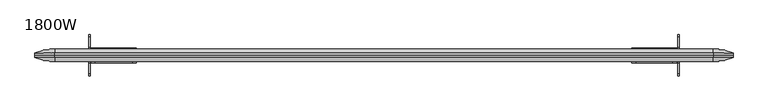
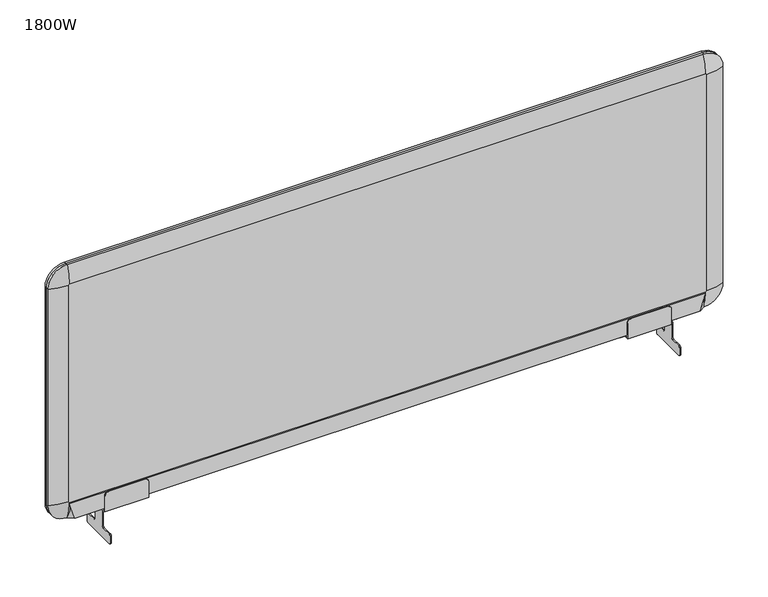
"""IFC4 building model written with IfcOpenShell, lengths in millimetres: furniture geometry, 1800W."""

from ifc_helpers import new_model, si_unit, point, frame, origin, place, context, project, spatial, polyline, circle_curve, ellipse_curve, trimmed, faceted_brep, source, transform, mapped, element, save
from ifc_brep_helpers import plane_surface, cylinder_surface, revolved_surface, advanced_brep


def furniture_1800w_5982a140(model_context):
    return source(origin(), model_context, "Body", "SolidModel", [
        advanced_brep(
        [(887.5, -6.0, 1169.0), (887.5, -6.0, 567.0), (887.5, 0.0, 567.0), (887.5, 0.0, 1169.0), (836.5, -6.0, 516.0), (-836.5, -6.0, 516.0), (-836.5, 0.0, 516.0), (836.5, 0.0, 516.0), (-887.5, -6.0, 567.0), (-887.5, -6.0, 1169.0), (-887.5, 0.0, 1169.0), (-887.5, 0.0, 567.0), (-836.5, -6.0, 1220.0), (836.5, -6.0, 1220.0), (836.5, 0.0, 1220.0), (-836.5, 0.0, 1220.0), (836.5, -16.0, 1172.0416848), (839.5416848, -16.0, 1169.0), (839.5416848, -16.0, 567.0), (836.5, -16.0, 563.9583152), (-836.5, -16.0, 563.9583152), (-839.5416848, -16.0, 567.0), (-839.5416848, -16.0, 1169.0), (-836.5, -16.0, 1172.0416848)],
        [
            (0, 1),
            (1, 2),
            (2, 3),
            (3, 0),
            (4, 5),
            (5, 6),
            (6, 7),
            (7, 4),
            (8, 9),
            (9, 10),
            (10, 11),
            (11, 8),
            (12, 13),
            (13, 14),
            (14, 15),
            (15, 12),
            (3, 14, circle_curve(frame((836.5, 0.0, 1169.0), z_axis=(0.0, -1.0, 0.0), x_axis=(0.0, 0.0, 1.0)), 51.0)),
            (13, 0, circle_curve(frame((836.5, -6.0, 1169.0), z_axis=(0.0, 1.0, 0.0), x_axis=(0.0, 0.0, 1.0)), 51.0)),
            (1, 4, circle_curve(frame((836.5, -6.0, 567.0), z_axis=(0.0, 1.0, 0.0), x_axis=(1.0, 0.0, 0.0)), 51.0)),
            (7, 2, circle_curve(frame((836.5, 0.0, 567.0), z_axis=(0.0, -1.0, 0.0), x_axis=(1.0, 0.0, 0.0)), 51.0)),
            (5, 8, circle_curve(frame((-836.5, -6.0, 567.0), z_axis=(0.0, 1.0, 0.0), x_axis=(0.0, 0.0, -1.0)), 51.0)),
            (11, 6, circle_curve(frame((-836.5, 0.0, 567.0), z_axis=(0.0, -1.0, 0.0), x_axis=(0.0, 0.0, -1.0)), 51.0)),
            (9, 12, circle_curve(frame((-836.5, -6.0, 1169.0), z_axis=(0.0, 1.0, 0.0), x_axis=(-1.0, 0.0, 0.0)), 51.0)),
            (15, 10, circle_curve(frame((-836.5, 0.0, 1169.0), z_axis=(0.0, -1.0, 0.0), x_axis=(-1.0, 0.0, 0.0)), 51.0)),
            (13, 16, circle_curve(frame((836.5, 104.0, 1172.0416848), z_axis=(1.0, 0.0, 0.0), x_axis=(0.0, 0.0, -1.0)), 120.0)),
            (16, 17, circle_curve(frame((836.5, -16.0, 1169.0), z_axis=(0.0, 1.0, 0.0), x_axis=(0.0, 0.0, 1.0)), 3.0416848)),
            (17, 0, circle_curve(frame((839.5416848, 104.0, 1169.0), z_axis=(0.0, 0.0, 1.0), x_axis=(-1.0, 0.0, 0.0)), 120.0)),
            (17, 18),
            (18, 1, circle_curve(frame((839.5416848, 104.0, 567.0), z_axis=(0.0, 0.0, 1.0), x_axis=(-1.0, 0.0, 0.0)), 120.0)),
            (18, 19, circle_curve(frame((836.5, -16.0, 567.0), z_axis=(0.0, 1.0, 0.0), x_axis=(1.0, 0.0, 0.0)), 3.0416848)),
            (19, 4, circle_curve(frame((836.5, 104.0, 563.9583152), z_axis=(1.0, 0.0, 0.0), x_axis=(0.0, 0.0, 1.0)), 120.0)),
            (19, 20),
            (20, 5, circle_curve(frame((-836.5, 104.0, 563.9583152), z_axis=(1.0, 0.0, 0.0), x_axis=(0.0, 0.0, 1.0)), 120.0)),
            (20, 21, circle_curve(frame((-836.5, -16.0, 567.0), z_axis=(0.0, 1.0, 0.0), x_axis=(0.0, 0.0, -1.0)), 3.0416848)),
            (21, 8, circle_curve(frame((-839.5416848, 104.0, 567.0), z_axis=(0.0, 0.0, -1.0), x_axis=(1.0, 0.0, 0.0)), 120.0)),
            (21, 22),
            (22, 9, circle_curve(frame((-839.5416848, 104.0, 1169.0), z_axis=(0.0, 0.0, -1.0), x_axis=(1.0, 0.0, 0.0)), 120.0)),
            (22, 23, circle_curve(frame((-836.5, -16.0, 1169.0), z_axis=(0.0, 1.0, 0.0), x_axis=(-1.0, 0.0, 0.0)), 3.0416848)),
            (23, 12, circle_curve(frame((-836.5, 104.0, 1172.0416848), z_axis=(-1.0, 0.0, 0.0), x_axis=(0.0, 0.0, -1.0)), 120.0)),
            (23, 16),
        ],
        [
            plane_surface(frame((887.5, 0.0, 1169.0), z_axis=(1.0, 0.0, 0.0), x_axis=(0.0, 0.0, -1.0))),
            plane_surface(frame((836.5, 0.0, 516.0), z_axis=(0.0, 0.0, -1.0), x_axis=(-1.0, 0.0, 0.0))),
            plane_surface(frame((-887.5, 0.0, 567.0), z_axis=(-1.0, 0.0, 0.0), x_axis=(0.0, 0.0, 1.0))),
            plane_surface(frame((-836.5, 0.0, 1220.0), z_axis=(0.0, 0.0, 1.0), x_axis=(1.0, 0.0, 0.0))),
            cylinder_surface(frame((836.5, 0.0, 1169.0), z_axis=(0.0, -1.0, 0.0), x_axis=(0.0, 0.0, 1.0)), 51.0),
            cylinder_surface(frame((836.5, 0.0, 567.0), z_axis=(0.0, -1.0, 0.0), x_axis=(1.0, 0.0, 0.0)), 51.0),
            cylinder_surface(frame((-836.5, 0.0, 567.0), z_axis=(0.0, -1.0, 0.0), x_axis=(0.0, 0.0, -1.0)), 51.0),
            cylinder_surface(frame((-836.5, 0.0, 1169.0), z_axis=(0.0, -1.0, 0.0), x_axis=(-1.0, 0.0, 0.0)), 51.0),
            plane_surface(frame((-836.5, 0.0, 1170.0), z_axis=(0.0, 1.0, 0.0), x_axis=(1.0, 0.0, 0.0))),
            revolved_surface(trimmed(ellipse_curve(frame((836.5, 104.0, 1172.0416848), z_axis=(1.0, 0.0, 0.0), x_axis=(0.0, 0.0, -1.0)), 120.0, 120.0), [point((836.5, -6.0, 1220.0))], [point((836.5, -16.0, 1172.0416848))], True, "CARTESIAN"), (836.5, 0.0, 1169.0), (0.0, -1.0, 0.0)),
            cylinder_surface(frame((839.5416848, 104.0, 1169.0), z_axis=(0.0, 0.0, 1.0), x_axis=(-1.0, 0.0, 0.0)), 120.0),
            revolved_surface(trimmed(ellipse_curve(frame((839.5416848, 104.0, 567.0), z_axis=(0.0, 0.0, -1.0), x_axis=(-1.0, 0.0, 0.0)), 120.0, 120.0), [point((887.5, -6.0, 567.0))], [point((839.5416848, -16.0, 567.0))], True, "CARTESIAN"), (836.5, 0.0, 567.0), (0.0, -1.0, 0.0)),
            cylinder_surface(frame((836.5, 104.0, 563.9583152), z_axis=(1.0, 0.0, 0.0), x_axis=(0.0, 0.0, 1.0)), 120.0),
            revolved_surface(trimmed(ellipse_curve(frame((-836.5, 104.0, 563.9583152), z_axis=(-1.0, 0.0, 0.0), x_axis=(0.0, 0.0, 1.0)), 120.0, 120.0), [point((-836.5, -6.0, 516.0))], [point((-836.5, -16.0, 563.9583152))], True, "CARTESIAN"), (-836.5, 0.0, 567.0), (0.0, -1.0, 0.0)),
            cylinder_surface(frame((-839.5416848, 104.0, 567.0), z_axis=(0.0, 0.0, -1.0), x_axis=(1.0, 0.0, 0.0)), 120.0),
            revolved_surface(trimmed(ellipse_curve(frame((-839.5416848, 104.0, 1169.0), z_axis=(0.0, 0.0, 1.0), x_axis=(1.0, 0.0, 0.0)), 120.0, 120.0), [point((-887.5, -6.0, 1169.0))], [point((-839.5416848, -16.0, 1169.0))], True, "CARTESIAN"), (-836.5, 0.0, 1169.0), (0.0, -1.0, 0.0)),
            cylinder_surface(frame((-836.5, 104.0, 1172.0416848), z_axis=(-1.0, 0.0, 0.0), x_axis=(0.0, 0.0, -1.0)), 120.0),
            plane_surface(frame((-836.5, -16.0, 1172.0416848), z_axis=(0.0, -1.0, 0.0), x_axis=(1.0, 0.0, 0.0))),
        ],
        [
            (0, [[1, 2, 3, 4]]),
            (1, [[5, 6, 7, 8]]),
            (2, [[9, 10, 11, 12]]),
            (3, [[13, 14, 15, 16]]),
            (4, [[17, -14, 18, -4]]),
            (5, [[19, -8, 20, -2]]),
            (6, [[21, -12, 22, -6]]),
            (7, [[23, -16, 24, -10]]),
            (8, [[-20, -7, -22, -11, -24, -15, -17, -3]]),
            (9, [[25, 26, 27, -18]]),
            (10, [[-27, 28, 29, -1]]),
            (11, [[-29, 30, 31, -19]]),
            (12, [[-31, 32, 33, -5]]),
            (13, [[-33, 34, 35, -21]]),
            (14, [[-35, 36, 37, -9]]),
            (15, [[-37, 38, 39, -23]]),
            (16, [[-39, 40, -25, -13]]),
            (17, [[-40, -38, -36, -34, -32, -30, -28, -26]]),
        ],
    ),
        advanced_brep(
        [(836.5, 16.0, 1172.0416848), (839.5416848, 16.0, 1169.0), (839.5416848, 16.0, 567.0), (836.5, 16.0, 563.9583152), (-836.5, 16.0, 563.9583152), (-839.5416848, 16.0, 567.0), (-839.5416848, 16.0, 1169.0), (-836.5, 16.0, 1172.0416848), (887.5, 0.0, 1169.0), (836.5, 0.0, 1220.0), (-836.5, 0.0, 1220.0), (-887.5, 0.0, 1169.0), (-887.5, 0.0, 567.0), (-836.5, 0.0, 516.0), (836.5, 0.0, 516.0), (887.5, 0.0, 567.0), (887.5, 6.0, 567.0), (887.5, 6.0, 1169.0), (-836.5, 6.0, 516.0), (836.5, 6.0, 516.0), (-887.5, 6.0, 1169.0), (-887.5, 6.0, 567.0), (836.5, 6.0, 1220.0), (-836.5, 6.0, 1220.0)],
        [
            (0, 1, circle_curve(frame((836.5, 16.0, 1169.0), z_axis=(0.0, 1.0, 0.0), x_axis=(0.0, 0.0, 1.0)), 3.0416848)),
            (1, 2),
            (2, 3, circle_curve(frame((836.5, 16.0, 567.0), z_axis=(0.0, 1.0, 0.0), x_axis=(1.0, 0.0, 0.0)), 3.0416848)),
            (3, 4),
            (4, 5, circle_curve(frame((-836.5, 16.0, 567.0), z_axis=(0.0, 1.0, 0.0), x_axis=(0.0, 0.0, -1.0)), 3.0416848)),
            (5, 6),
            (6, 7, circle_curve(frame((-836.5, 16.0, 1169.0), z_axis=(0.0, 1.0, 0.0), x_axis=(-1.0, 0.0, 0.0)), 3.0416848)),
            (7, 0),
            (8, 9, circle_curve(frame((836.5, 0.0, 1169.0), z_axis=(0.0, -1.0, 0.0), x_axis=(0.0, 0.0, 1.0)), 51.0)),
            (9, 10),
            (10, 11, circle_curve(frame((-836.5, 0.0, 1169.0), z_axis=(0.0, -1.0, 0.0), x_axis=(-1.0, 0.0, 0.0)), 51.0)),
            (11, 12),
            (12, 13, circle_curve(frame((-836.5, 0.0, 567.0), z_axis=(0.0, -1.0, 0.0), x_axis=(0.0, 0.0, -1.0)), 51.0)),
            (13, 14),
            (14, 15, circle_curve(frame((836.5, 0.0, 567.0), z_axis=(0.0, -1.0, 0.0), x_axis=(1.0, 0.0, 0.0)), 51.0)),
            (15, 8),
            (15, 16),
            (16, 17),
            (17, 8),
            (13, 18),
            (18, 19),
            (19, 14),
            (11, 20),
            (20, 21),
            (21, 12),
            (9, 22),
            (22, 23),
            (23, 10),
            (17, 22, circle_curve(frame((836.5, 6.0, 1169.0), z_axis=(0.0, -1.0, 0.0), x_axis=(0.0, 0.0, 1.0)), 51.0)),
            (19, 16, circle_curve(frame((836.5, 6.0, 567.0), z_axis=(0.0, -1.0, 0.0), x_axis=(1.0, 0.0, 0.0)), 51.0)),
            (21, 18, circle_curve(frame((-836.5, 6.0, 567.0), z_axis=(0.0, -1.0, 0.0), x_axis=(0.0, 0.0, -1.0)), 51.0)),
            (23, 20, circle_curve(frame((-836.5, 6.0, 1169.0), z_axis=(0.0, -1.0, 0.0), x_axis=(-1.0, 0.0, 0.0)), 51.0)),
            (17, 1, circle_curve(frame((839.5416848, -104.0, 1169.0), z_axis=(0.0, 0.0, 1.0), x_axis=(1.0, 0.0, 0.0)), 120.0)),
            (0, 22, circle_curve(frame((836.5, -104.0, 1172.0416848), z_axis=(1.0, 0.0, 0.0), x_axis=(0.0, 0.0, 1.0)), 120.0)),
            (16, 2, circle_curve(frame((839.5416848, -104.0, 567.0), z_axis=(0.0, 0.0, 1.0), x_axis=(1.0, 0.0, 0.0)), 120.0)),
            (19, 3, circle_curve(frame((836.5, -104.0, 563.9583152), z_axis=(1.0, 0.0, 0.0), x_axis=(0.0, 0.0, -1.0)), 120.0)),
            (18, 4, circle_curve(frame((-836.5, -104.0, 563.9583152), z_axis=(1.0, 0.0, 0.0), x_axis=(0.0, 0.0, -1.0)), 120.0)),
            (21, 5, circle_curve(frame((-839.5416848, -104.0, 567.0), z_axis=(0.0, 0.0, -1.0), x_axis=(-1.0, 0.0, 0.0)), 120.0)),
            (20, 6, circle_curve(frame((-839.5416848, -104.0, 1169.0), z_axis=(0.0, 0.0, -1.0), x_axis=(-1.0, 0.0, 0.0)), 120.0)),
            (23, 7, circle_curve(frame((-836.5, -104.0, 1172.0416848), z_axis=(-1.0, 0.0, 0.0), x_axis=(0.0, 0.0, 1.0)), 120.0)),
        ],
        [
            plane_surface(frame((-835.5, 16.0, 1169.0), z_axis=(0.0, 1.0, 0.0), x_axis=(0.0, 0.0, 1.0))),
            plane_surface(frame((-835.5, 0.0, 1169.0), z_axis=(0.0, -1.0, 0.0), x_axis=(0.0, 0.0, -1.0))),
            plane_surface(frame((887.5, 6.0, 1169.0), z_axis=(1.0, 0.0, 0.0), x_axis=(0.0, 0.0, -1.0))),
            plane_surface(frame((836.5, 6.0, 516.0), z_axis=(0.0, 0.0, -1.0), x_axis=(-1.0, 0.0, 0.0))),
            plane_surface(frame((-887.5, 6.0, 567.0), z_axis=(-1.0, 0.0, 0.0), x_axis=(0.0, 0.0, 1.0))),
            plane_surface(frame((-836.5, 6.0, 1220.0), z_axis=(0.0, 0.0, 1.0), x_axis=(1.0, 0.0, 0.0))),
            cylinder_surface(frame((836.5, 0.0, 1169.0), z_axis=(0.0, -1.0, 0.0), x_axis=(0.0, 0.0, 1.0)), 51.0),
            cylinder_surface(frame((836.5, 0.0, 567.0), z_axis=(0.0, -1.0, 0.0), x_axis=(1.0, 0.0, 0.0)), 51.0),
            cylinder_surface(frame((-836.5, 0.0, 567.0), z_axis=(0.0, -1.0, 0.0), x_axis=(0.0, 0.0, -1.0)), 51.0),
            cylinder_surface(frame((-836.5, 0.0, 1169.0), z_axis=(0.0, -1.0, 0.0), x_axis=(-1.0, 0.0, 0.0)), 51.0),
            revolved_surface(trimmed(ellipse_curve(frame((836.5, -104.0, 1172.0416848), z_axis=(1.0, 0.0, 0.0), x_axis=(0.0, 0.0, 1.0)), 120.0, 120.0), [point((836.5, 16.0, 1172.0416848))], [point((836.5, 6.0, 1220.0))], True, "CARTESIAN"), (836.5, 0.0, 1169.0), (0.0, -1.0, 0.0)),
            cylinder_surface(frame((839.5416848, -104.0, 1169.0), z_axis=(0.0, 0.0, 1.0), x_axis=(1.0, 0.0, 0.0)), 120.0),
            revolved_surface(trimmed(ellipse_curve(frame((839.5416848, -104.0, 567.0), z_axis=(0.0, 0.0, -1.0), x_axis=(1.0, 0.0, 0.0)), 120.0, 120.0), [point((839.5416848, 16.0, 567.0))], [point((887.5, 6.0, 567.0))], True, "CARTESIAN"), (836.5, 0.0, 567.0), (0.0, -1.0, 0.0)),
            cylinder_surface(frame((836.5, -104.0, 563.9583152), z_axis=(1.0, 0.0, 0.0), x_axis=(0.0, 0.0, -1.0)), 120.0),
            revolved_surface(trimmed(ellipse_curve(frame((-836.5, -104.0, 563.9583152), z_axis=(-1.0, 0.0, 0.0), x_axis=(0.0, 0.0, -1.0)), 120.0, 120.0), [point((-836.5, 16.0, 563.9583152))], [point((-836.5, 6.0, 516.0))], True, "CARTESIAN"), (-836.5, 0.0, 567.0), (0.0, -1.0, 0.0)),
            cylinder_surface(frame((-839.5416848, -104.0, 567.0), z_axis=(0.0, 0.0, -1.0), x_axis=(-1.0, 0.0, 0.0)), 120.0),
            revolved_surface(trimmed(ellipse_curve(frame((-839.5416848, -104.0, 1169.0), z_axis=(0.0, 0.0, 1.0), x_axis=(-1.0, 0.0, 0.0)), 120.0, 120.0), [point((-839.5416848, 16.0, 1169.0))], [point((-887.5, 6.0, 1169.0))], True, "CARTESIAN"), (-836.5, 0.0, 1169.0), (0.0, -1.0, 0.0)),
            cylinder_surface(frame((-836.5, -104.0, 1172.0416848), z_axis=(-1.0, 0.0, 0.0), x_axis=(0.0, 0.0, 1.0)), 120.0),
        ],
        [
            (0, [[1, 2, 3, 4, 5, 6, 7, 8]]),
            (1, [[9, 10, 11, 12, 13, 14, 15, 16]]),
            (2, [[-16, 17, 18, 19]]),
            (3, [[-14, 20, 21, 22]]),
            (4, [[-12, 23, 24, 25]]),
            (5, [[-10, 26, 27, 28]]),
            (6, [[29, -26, -9, -19]]),
            (7, [[-15, -22, 30, -17]]),
            (8, [[-13, -25, 31, -20]]),
            (9, [[-11, -28, 32, -23]]),
            (10, [[33, -1, 34, -29]]),
            (11, [[35, -2, -33, -18]]),
            (12, [[36, -3, -35, -30]]),
            (13, [[37, -4, -36, -21]]),
            (14, [[38, -5, -37, -31]]),
            (15, [[39, -6, -38, -24]]),
            (16, [[40, -7, -39, -32]]),
            (17, [[-34, -8, -40, -27]]),
        ],
    ),
        faceted_brep([(837.5, -16.0, 566.0), (837.5, 16.0, 566.0), (-837.5, 16.0, 566.0), (-837.5, -16.0, 566.0), (822.5, -16.0, 516.0), (-822.5, -16.0, 516.0), (-837.5, -6.0, 516.0), (-837.5, 6.0, 516.0), (-822.5, 16.0, 516.0), (822.5, 16.0, 516.0), (837.5, 6.0, 516.0), (837.5, -6.0, 516.0)], [[[0, 1, 2, 3]], [[4, 5, 6, 7, 8, 9, 10, 11]], [[8, 2, 1, 9]], [[9, 1, 10]], [[10, 1, 0, 11]], [[11, 0, 4]], [[4, 0, 3, 5]], [[6, 3, 2, 7]], [[5, 3, 6]], [[7, 2, 8]]]),
        advanced_brep(
        [(-750.0, -21.0, 465.4998693), (-750.0, -16.0, 470.4998693), (-750.0, -16.0, 511.0), (-750.0, -10.0, 511.0), (-750.0, 10.0, 511.0), (-750.0, 16.0, 511.0), (-750.0, 16.0, 470.4998693), (-750.0, 21.0, 465.4998693), (-750.0, 47.5, 465.4998693), (-750.0, 52.5, 460.4998693), (-750.0, 52.5, 443.4998693), (-750.0, 47.5, 438.4998693), (-750.0, -47.5, 438.4998693), (-750.0, -52.5, 443.4998693), (-750.0, -52.5, 460.4998693), (-750.0, -47.5, 465.4998693), (-747.0, -21.0, 465.4998693), (-747.0, -47.5, 465.4998693), (-747.0, -52.5, 460.4998693), (-747.0, -52.5, 443.4998693), (-747.0, -47.5, 438.4998693), (-747.0, 47.5, 438.4998693), (-747.0, 52.5, 443.4998693), (-747.0, 52.5, 460.4998693), (-747.0, 47.5, 465.4998693), (-747.0, 21.0, 465.4998693), (-747.0, 16.0, 470.4998693), (-747.0, 16.0, 508.0), (-747.0, -16.0, 508.0), (-747.0, -16.0, 470.4998693), (-744.599983, 16.0, 511.0), (-744.599983, 16.0, 508.0), (-629.599983, 10.0, 511.0), (-629.599983, 16.0, 511.0), (-744.599983, -16.0, 511.0), (-629.599983, -16.0, 511.0), (-629.599983, -10.0, 511.0), (-744.599983, -16.0, 508.0), (-744.599983, 19.0, 508.0), (-629.599983, 19.0, 508.0), (-629.599983, -19.0, 508.0), (-744.599983, -19.0, 508.0), (-629.599983, 19.0, 551.0), (-629.599983, 16.0, 551.0), (-629.599983, -16.0, 551.0), (-629.599983, -19.0, 551.0), (-639.599983, -19.0, 561.0), (-734.599983, -19.0, 561.0), (-744.599983, -19.0, 551.0), (-639.599983, -16.0, 561.0), (-744.599983, -16.0, 551.0), (-734.599983, -16.0, 561.0), (-639.599983, 19.0, 561.0), (-744.599983, 19.0, 551.0), (-734.599983, 19.0, 561.0), (-639.599983, 16.0, 561.0), (-734.599983, 16.0, 561.0), (-744.599983, 16.0, 551.0), (-764.4999895, 10.0, 516.0), (-614.599983, 10.0, 516.0), (-614.599983, 10.0, 511.0), (-764.4999895, 10.0, 511.0), (-764.4999895, -10.0, 516.0), (-764.4999895, -10.0, 511.0), (-614.599983, -10.0, 511.0), (-614.599983, -10.0, 516.0)],
        [
            (0, 1, circle_curve(frame((-750.0, -21.0, 470.4998693), z_axis=(1.0, 0.0, 0.0), x_axis=(0.0, -1.0, 0.0)), 5.0)),
            (1, 2),
            (2, 3),
            (3, 4),
            (4, 5),
            (5, 6),
            (6, 7, circle_curve(frame((-750.0, 21.0, 470.4998693), z_axis=(1.0, 0.0, 0.0), x_axis=(0.0, -1.0, 0.0)), 5.0)),
            (7, 8),
            (8, 9, circle_curve(frame((-750.0, 47.5, 460.4998693), z_axis=(-1.0, 0.0, 0.0), x_axis=(0.0, -1.0, 0.0)), 5.0)),
            (9, 10),
            (10, 11, circle_curve(frame((-750.0, 47.5, 443.4998693), z_axis=(-1.0, 0.0, 0.0), x_axis=(0.0, -1.0, 0.0)), 5.0)),
            (11, 12),
            (12, 13, circle_curve(frame((-750.0, -47.5, 443.4998693), z_axis=(-1.0, 0.0, 0.0), x_axis=(0.0, -1.0, 0.0)), 5.0)),
            (13, 14),
            (14, 15, circle_curve(frame((-750.0, -47.5, 460.4998693), z_axis=(-1.0, 0.0, 0.0), x_axis=(0.0, -1.0, 0.0)), 5.0)),
            (15, 0),
            (16, 17),
            (17, 18, circle_curve(frame((-747.0, -47.5, 460.4998693), z_axis=(1.0, 0.0, 0.0), x_axis=(0.0, -1.0, 0.0)), 5.0)),
            (18, 19),
            (19, 20, circle_curve(frame((-747.0, -47.5, 443.4998693), z_axis=(1.0, 0.0, 0.0), x_axis=(0.0, -1.0, 0.0)), 5.0)),
            (20, 21),
            (21, 22, circle_curve(frame((-747.0, 47.5, 443.4998693), z_axis=(1.0, 0.0, 0.0), x_axis=(0.0, -1.0, 0.0)), 5.0)),
            (22, 23),
            (23, 24, circle_curve(frame((-747.0, 47.5, 460.4998693), z_axis=(1.0, 0.0, 0.0), x_axis=(0.0, -1.0, 0.0)), 5.0)),
            (24, 25),
            (25, 26, circle_curve(frame((-747.0, 21.0, 470.4998693), z_axis=(-1.0, 0.0, 0.0), x_axis=(0.0, -1.0, 0.0)), 5.0)),
            (26, 27),
            (27, 28),
            (28, 29),
            (29, 16, circle_curve(frame((-747.0, -21.0, 470.4998693), z_axis=(-1.0, 0.0, 0.0), x_axis=(0.0, -1.0, 0.0)), 5.0)),
            (8, 24),
            (23, 9),
            (22, 10),
            (21, 11),
            (20, 12),
            (19, 13),
            (18, 14),
            (17, 15),
            (16, 0),
            (7, 25),
            (6, 26),
            (5, 30),
            (30, 31),
            (31, 27),
            (4, 32),
            (32, 33),
            (33, 30),
            (34, 35),
            (35, 36),
            (36, 3),
            (2, 34),
            (1, 29),
            (28, 37),
            (37, 34),
            (31, 38),
            (38, 39),
            (39, 40),
            (40, 41),
            (41, 37),
            (39, 42),
            (42, 43),
            (43, 33),
            (32, 36),
            (35, 44),
            (44, 45),
            (45, 40),
            (46, 47),
            (47, 48, circle_curve(frame((-734.599983, -19.0, 551.0), z_axis=(0.0, -1.0, 0.0), x_axis=(1.0, 0.0, 0.0)), 10.0)),
            (48, 41),
            (45, 46, circle_curve(frame((-639.599983, -19.0, 551.0), z_axis=(0.0, -1.0, 0.0), x_axis=(1.0, 0.0, 0.0)), 10.0)),
            (49, 44, circle_curve(frame((-639.599983, -16.0, 551.0), z_axis=(0.0, 1.0, 0.0), x_axis=(1.0, 0.0, 0.0)), 10.0)),
            (34, 50),
            (50, 51, circle_curve(frame((-734.599983, -16.0, 551.0), z_axis=(0.0, 1.0, 0.0), x_axis=(1.0, 0.0, 0.0)), 10.0)),
            (51, 49),
            (46, 49),
            (51, 47),
            (50, 48),
            (52, 42, circle_curve(frame((-639.599983, 19.0, 551.0), z_axis=(0.0, 1.0, 0.0), x_axis=(1.0, 0.0, 0.0)), 10.0)),
            (38, 53),
            (53, 54, circle_curve(frame((-734.599983, 19.0, 551.0), z_axis=(0.0, 1.0, 0.0), x_axis=(1.0, 0.0, 0.0)), 10.0)),
            (54, 52),
            (55, 56),
            (56, 57, circle_curve(frame((-734.599983, 16.0, 551.0), z_axis=(0.0, -1.0, 0.0), x_axis=(1.0, 0.0, 0.0)), 10.0)),
            (57, 30),
            (43, 55, circle_curve(frame((-639.599983, 16.0, 551.0), z_axis=(0.0, -1.0, 0.0), x_axis=(1.0, 0.0, 0.0)), 10.0)),
            (54, 56),
            (55, 52),
            (53, 57),
            (58, 59),
            (59, 60),
            (60, 32),
            (4, 61),
            (61, 58),
            (62, 63),
            (63, 3),
            (36, 64),
            (64, 65),
            (65, 62),
            (61, 63),
            (62, 58),
            (60, 64),
            (59, 65),
        ],
        [
            plane_surface(frame((-750.0, -36.0, 465.4998693), z_axis=(-1.0, 0.0, 0.0), x_axis=(0.0, -1.0, 0.0))),
            plane_surface(frame((-747.0, -36.0, 465.4998693), z_axis=(1.0, 0.0, 0.0), x_axis=(0.0, 1.0, 0.0))),
            cylinder_surface(frame((-747.0, 47.5, 460.4998693), z_axis=(-1.0, 0.0, 0.0), x_axis=(0.0, -1.0, 0.0)), 5.0),
            plane_surface(frame((-750.0, 52.5, 443.4998693), z_axis=(0.0, 1.0, 0.0), x_axis=(1.0, 0.0, 0.0))),
            cylinder_surface(frame((-747.0, 47.5, 443.4998693), z_axis=(-1.0, 0.0, 0.0), x_axis=(0.0, -1.0, 0.0)), 5.0),
            plane_surface(frame((-750.0, -47.5, 438.4998693), z_axis=(0.0, 0.0, -1.0), x_axis=(1.0, 0.0, 0.0))),
            cylinder_surface(frame((-747.0, -47.5, 443.4998693), z_axis=(-1.0, 0.0, 0.0), x_axis=(0.0, -1.0, 0.0)), 5.0),
            plane_surface(frame((-750.0, -52.5, 460.4998693), z_axis=(0.0, -1.0, 0.0), x_axis=(1.0, 0.0, 0.0))),
            cylinder_surface(frame((-747.0, -47.5, 460.4998693), z_axis=(-1.0, 0.0, 0.0), x_axis=(0.0, -1.0, 0.0)), 5.0),
            plane_surface(frame((-750.0, -21.0, 465.4998693), z_axis=(0.0, 0.0, 1.0), x_axis=(1.0, 0.0, 0.0))),
            plane_surface(frame((-750.0, 47.5, 465.4998693), z_axis=(0.0, 0.0, 1.0), x_axis=(1.0, 0.0, 0.0))),
            revolved_surface(polyline([(-747.0, 16.0, 470.4998693), (-750.0, 16.0, 470.4998693)]), (-747.0, 21.0, 470.4998693), (1.0, 0.0, 0.0)),
            plane_surface(frame((-750.0, 16.0, 470.4998693), z_axis=(0.0, 1.0, 0.0), x_axis=(1.0, 0.0, 0.0))),
            plane_surface(frame((-750.0, 16.0, 511.0), z_axis=(0.0, 0.0, 1.0), x_axis=(1.0, 0.0, 0.0))),
            plane_surface(frame((-750.0, -16.0, 511.0), z_axis=(0.0, -1.0, 0.0), x_axis=(1.0, 0.0, 0.0))),
            revolved_surface(polyline([(-747.0, -26.0, 470.4998693), (-750.0, -26.0, 470.4998693)]), (-747.0, -21.0, 470.4998693), (1.0, 0.0, 0.0)),
            plane_surface(frame((-747.0, 16.0, 508.0), z_axis=(0.0, 0.0, -1.0), x_axis=(0.0, -1.0, 0.0))),
            plane_surface(frame((-629.599983, 16.0, 508.0), z_axis=(1.0, 0.0, 0.0), x_axis=(0.0, -1.0, 0.0))),
            plane_surface(frame((-629.599983, -19.0, 551.0), z_axis=(0.0, -1.0, 0.0), x_axis=(0.0, 0.0, -1.0))),
            plane_surface(frame((-629.599983, -16.0, 551.0), z_axis=(0.0, 1.0, 0.0), x_axis=(0.0, 0.0, 1.0))),
            plane_surface(frame((-734.599983, -19.0, 561.0), z_axis=(0.0, 0.0, 1.0), x_axis=(0.0, 1.0, 0.0))),
            cylinder_surface(frame((-734.599983, -16.0, 551.0), z_axis=(0.0, -1.0, 0.0), x_axis=(1.0, 0.0, 0.0)), 10.0),
            plane_surface(frame((-744.599983, -19.0, 508.0), z_axis=(-1.0, 0.0, 0.0), x_axis=(0.0, 1.0, 0.0))),
            cylinder_surface(frame((-639.599983, -16.0, 551.0), z_axis=(0.0, -1.0, 0.0), x_axis=(1.0, 0.0, 0.0)), 10.0),
            plane_surface(frame((-734.599983, 19.0, 561.0), z_axis=(0.0, 1.0, 0.0), x_axis=(-1.0, 0.0, 0.0))),
            plane_surface(frame((-734.599983, 16.0, 561.0), z_axis=(0.0, -1.0, 0.0), x_axis=(1.0, 0.0, 0.0))),
            plane_surface(frame((-639.599983, 19.0, 561.0), z_axis=(0.0, 0.0, 1.0), x_axis=(0.0, -1.0, 0.0))),
            cylinder_surface(frame((-734.599983, 16.0, 551.0), z_axis=(0.0, 1.0, 0.0), x_axis=(1.0, 0.0, 0.0)), 10.0),
            plane_surface(frame((-744.599983, 19.0, 551.0), z_axis=(-1.0, 0.0, 0.0), x_axis=(0.0, -1.0, 0.0))),
            cylinder_surface(frame((-639.599983, 16.0, 551.0), z_axis=(0.0, 1.0, 0.0), x_axis=(1.0, 0.0, 0.0)), 10.0),
            plane_surface(frame((614.4999907, 10.0, 516.0), z_axis=(0.0, 1.0, 0.0), x_axis=(-1.0, 0.0, 0.0))),
            plane_surface(frame((614.4999907, -10.0, 516.0), z_axis=(0.0, -1.0, 0.0), x_axis=(1.0, 0.0, 0.0))),
            plane_surface(frame((-764.4999895, 10.0, 516.0), z_axis=(-1.0, 0.0, 0.0), x_axis=(0.0, -1.0, 0.0))),
            plane_surface(frame((-764.4999895, 10.0, 511.0), z_axis=(0.0, 0.0, -1.0), x_axis=(0.0, -1.0, 0.0))),
            plane_surface(frame((-614.599983, 10.0, 511.0), z_axis=(1.0, 0.0, 0.0), x_axis=(0.0, -1.0, 0.0))),
            plane_surface(frame((-614.599983, 10.0, 516.0), z_axis=(0.0, 0.0, 1.0), x_axis=(0.0, -1.0, 0.0))),
        ],
        [
            (0, [[1, 2, 3, 4, 5, 6, 7, 8, 9, 10, 11, 12, 13, 14, 15, 16]]),
            (1, [[17, 18, 19, 20, 21, 22, 23, 24, 25, 26, 27, 28, 29, 30]]),
            (2, [[31, -24, 32, -9]]),
            (3, [[-32, -23, 33, -10]]),
            (4, [[-33, -22, 34, -11]]),
            (5, [[-34, -21, 35, -12]]),
            (6, [[-35, -20, 36, -13]]),
            (7, [[-36, -19, 37, -14]]),
            (8, [[-37, -18, 38, -15]]),
            (9, [[-38, -17, 39, -16]]),
            (10, [[40, -25, -31, -8]]),
            (11, [[41, -26, -40, -7]]),
            (12, [[42, 43, 44, -27, -41, -6]]),
            (13, [[-5, 45, 46, 47, -42]]),
            (13, [[48, 49, 50, -3, 51]]),
            (14, [[52, -29, 53, 54, -51, -2]]),
            (15, [[-39, -30, -52, -1]]),
            (16, [[-44, 55, 56, 57, 58, 59, -53, -28]]),
            (17, [[-57, 60, 61, 62, -46, 63, -49, 64, 65, 66]]),
            (18, [[67, 68, 69, -58, -66, 70]]),
            (19, [[71, -64, -48, 72, 73, 74]]),
            (20, [[75, -74, 76, -67]]),
            (21, [[-76, -73, 77, -68]]),
            (22, [[-77, -72, -54, -59, -69]]),
            (23, [[-65, -71, -75, -70]]),
            (24, [[78, -60, -56, 79, 80, 81]]),
            (25, [[82, 83, 84, -47, -62, 85]]),
            (26, [[86, -82, 87, -81]]),
            (27, [[88, -83, -86, -80]]),
            (28, [[-55, -43, -84, -88, -79]]),
            (29, [[-87, -85, -61, -78]]),
            (30, [[89, 90, 91, -45, 92, 93]]),
            (31, [[94, 95, -50, 96, 97, 98]]),
            (32, [[99, -94, 100, -93]]),
            (33, [[-92, -4, -95, -99]]),
            (33, [[-96, -63, -91, 101]]),
            (34, [[102, -97, -101, -90]]),
            (35, [[-100, -98, -102, -89]]),
        ],
    ),
        advanced_brep(
        [(744.599983, 16.0, 511.0), (750.0, 16.0, 511.0), (750.0, 16.0, 470.4998693), (747.0, 16.0, 470.4998693), (747.0, 16.0, 508.0), (744.599983, 16.0, 508.0), (750.0, -16.0, 470.4998693), (750.0, -16.0, 511.0), (744.599983, -16.0, 511.0), (744.599983, -16.0, 508.0), (747.0, -16.0, 508.0), (747.0, -16.0, 470.4998693), (629.599983, 16.0, 511.0), (629.599983, 10.0, 511.0), (747.0, 10.0, 511.0), (750.0, 10.0, 511.0), (750.0, -10.0, 511.0), (747.0, -10.0, 511.0), (629.599983, -10.0, 511.0), (629.599983, -16.0, 511.0), (629.599983, -19.0, 551.0), (629.599983, -16.0, 551.0), (629.599983, 16.0, 551.0), (629.599983, 19.0, 551.0), (629.599983, 19.0, 508.0), (629.599983, -19.0, 508.0), (744.599983, 19.0, 508.0), (744.599983, -19.0, 508.0), (750.0, -21.0, 465.4998693), (750.0, -47.5, 465.4998693), (750.0, -52.5, 460.4998693), (750.0, -52.5, 443.4998693), (750.0, -47.5, 438.4998693), (750.0, 47.5, 438.4998693), (750.0, 52.5, 443.4998693), (750.0, 52.5, 460.4998693), (750.0, 47.5, 465.4998693), (750.0, 21.0, 465.4998693), (639.599983, -19.0, 561.0), (744.599983, -19.0, 551.0), (734.599983, -19.0, 561.0), (639.599983, -16.0, 561.0), (734.599983, -16.0, 561.0), (744.599983, -16.0, 551.0), (639.599983, 19.0, 561.0), (734.599983, 19.0, 561.0), (744.599983, 19.0, 551.0), (639.599983, 16.0, 561.0), (744.599983, 16.0, 551.0), (734.599983, 16.0, 561.0), (764.4999895, 10.0, 516.0), (764.4999895, 10.0, 511.0), (614.4999907, 10.0, 511.0), (614.4999907, 10.0, 516.0), (764.4999895, -10.0, 516.0), (614.4999907, -10.0, 516.0), (614.4999907, -10.0, 511.0), (764.4999895, -10.0, 511.0), (747.0, -21.0, 465.4998693), (747.0, 21.0, 465.4998693), (747.0, 47.5, 465.4998693), (747.0, 52.5, 460.4998693), (747.0, 52.5, 443.4998693), (747.0, 47.5, 438.4998693), (747.0, -47.5, 438.4998693), (747.0, -52.5, 443.4998693), (747.0, -52.5, 460.4998693), (747.0, -47.5, 465.4998693)],
        [
            (0, 1),
            (1, 2),
            (2, 3),
            (3, 4),
            (4, 5),
            (5, 0),
            (6, 7),
            (7, 8),
            (8, 9),
            (9, 10),
            (10, 11),
            (11, 6),
            (12, 13),
            (13, 14),
            (14, 15),
            (15, 1),
            (0, 12),
            (7, 16),
            (16, 17),
            (17, 18),
            (18, 19),
            (19, 8),
            (20, 21),
            (21, 19),
            (18, 13),
            (12, 22),
            (22, 23),
            (23, 24),
            (24, 25),
            (25, 20),
            (24, 26),
            (26, 5),
            (4, 10),
            (9, 27),
            (27, 25),
            (15, 16),
            (6, 28, circle_curve(frame((750.0, -21.0, 470.4998693), z_axis=(-1.0, 0.0, 0.0), x_axis=(0.0, -1.0, 0.0)), 5.0)),
            (28, 29),
            (29, 30, circle_curve(frame((750.0, -47.5, 460.4998693), z_axis=(1.0, 0.0, 0.0), x_axis=(0.0, -1.0, 0.0)), 5.0)),
            (30, 31),
            (31, 32, circle_curve(frame((750.0, -47.5, 443.4998693), z_axis=(1.0, 0.0, 0.0), x_axis=(0.0, -1.0, 0.0)), 5.0)),
            (32, 33),
            (33, 34, circle_curve(frame((750.0, 47.5, 443.4998693), z_axis=(1.0, 0.0, 0.0), x_axis=(0.0, -1.0, 0.0)), 5.0)),
            (34, 35),
            (35, 36, circle_curve(frame((750.0, 47.5, 460.4998693), z_axis=(1.0, 0.0, 0.0), x_axis=(0.0, -1.0, 0.0)), 5.0)),
            (36, 37),
            (37, 2, circle_curve(frame((750.0, 21.0, 470.4998693), z_axis=(-1.0, 0.0, 0.0), x_axis=(0.0, -1.0, 0.0)), 5.0)),
            (38, 20, circle_curve(frame((639.599983, -19.0, 551.0), z_axis=(0.0, -1.0, 0.0), x_axis=(1.0, 0.0, 0.0)), 10.0)),
            (27, 39),
            (39, 40, circle_curve(frame((734.599983, -19.0, 551.0), z_axis=(0.0, -1.0, 0.0), x_axis=(1.0, 0.0, 0.0)), 10.0)),
            (40, 38),
            (41, 42),
            (42, 43, circle_curve(frame((734.599983, -16.0, 551.0), z_axis=(0.0, 1.0, 0.0), x_axis=(1.0, 0.0, 0.0)), 10.0)),
            (43, 8),
            (21, 41, circle_curve(frame((639.599983, -16.0, 551.0), z_axis=(0.0, 1.0, 0.0), x_axis=(1.0, 0.0, 0.0)), 10.0)),
            (38, 41),
            (43, 39),
            (42, 40),
            (44, 45),
            (45, 46, circle_curve(frame((734.599983, 19.0, 551.0), z_axis=(0.0, 1.0, 0.0), x_axis=(1.0, 0.0, 0.0)), 10.0)),
            (46, 26),
            (23, 44, circle_curve(frame((639.599983, 19.0, 551.0), z_axis=(0.0, 1.0, 0.0), x_axis=(1.0, 0.0, 0.0)), 10.0)),
            (47, 22, circle_curve(frame((639.599983, 16.0, 551.0), z_axis=(0.0, -1.0, 0.0), x_axis=(1.0, 0.0, 0.0)), 10.0)),
            (0, 48),
            (48, 49, circle_curve(frame((734.599983, 16.0, 551.0), z_axis=(0.0, -1.0, 0.0), x_axis=(1.0, 0.0, 0.0)), 10.0)),
            (49, 47),
            (47, 44),
            (46, 48),
            (45, 49),
            (50, 51),
            (51, 15),
            (13, 52),
            (52, 53),
            (53, 50),
            (54, 55),
            (55, 56),
            (56, 18),
            (16, 57),
            (57, 54),
            (53, 55),
            (54, 50),
            (52, 56),
            (51, 57),
            (58, 11, circle_curve(frame((747.0, -21.0, 470.4998693), z_axis=(1.0, 0.0, 0.0), x_axis=(0.0, -1.0, 0.0)), 5.0)),
            (3, 59, circle_curve(frame((747.0, 21.0, 470.4998693), z_axis=(1.0, 0.0, 0.0), x_axis=(0.0, -1.0, 0.0)), 5.0)),
            (59, 60),
            (60, 61, circle_curve(frame((747.0, 47.5, 460.4998693), z_axis=(-1.0, 0.0, 0.0), x_axis=(0.0, -1.0, 0.0)), 5.0)),
            (61, 62),
            (62, 63, circle_curve(frame((747.0, 47.5, 443.4998693), z_axis=(-1.0, 0.0, 0.0), x_axis=(0.0, -1.0, 0.0)), 5.0)),
            (63, 64),
            (64, 65, circle_curve(frame((747.0, -47.5, 443.4998693), z_axis=(-1.0, 0.0, 0.0), x_axis=(0.0, -1.0, 0.0)), 5.0)),
            (65, 66),
            (66, 67, circle_curve(frame((747.0, -47.5, 460.4998693), z_axis=(-1.0, 0.0, 0.0), x_axis=(0.0, -1.0, 0.0)), 5.0)),
            (67, 58),
            (35, 61),
            (60, 36),
            (34, 62),
            (33, 63),
            (32, 64),
            (31, 65),
            (30, 66),
            (29, 67),
            (28, 58),
            (59, 37),
        ],
        [
            plane_surface(frame((-750.0, 16.0, 470.4998693), z_axis=(0.0, 1.0, 0.0), x_axis=(1.0, 0.0, 0.0))),
            plane_surface(frame((-750.0, -16.0, 511.0), z_axis=(0.0, -1.0, 0.0), x_axis=(1.0, 0.0, 0.0))),
            plane_surface(frame((750.0, 16.0, 511.0), z_axis=(0.0, 0.0, 1.0), x_axis=(0.0, -1.0, 0.0))),
            plane_surface(frame((629.599983, 16.0, 511.0), z_axis=(-1.0, 0.0, 0.0), x_axis=(0.0, -1.0, 0.0))),
            plane_surface(frame((629.599983, 16.0, 508.0), z_axis=(0.0, 0.0, -1.0), x_axis=(0.0, -1.0, 0.0))),
            plane_surface(frame((750.0, 16.0, 508.0), z_axis=(1.0, 0.0, 0.0), x_axis=(0.0, -1.0, 0.0))),
            plane_surface(frame((-629.599983, -19.0, 551.0), z_axis=(0.0, -1.0, 0.0), x_axis=(0.0, 0.0, -1.0))),
            plane_surface(frame((-629.599983, -16.0, 551.0), z_axis=(0.0, 1.0, 0.0), x_axis=(0.0, 0.0, 1.0))),
            cylinder_surface(frame((639.599983, 0.0, 551.0), z_axis=(0.0, -1.0, 0.0), x_axis=(1.0, 0.0, 0.0)), 10.0),
            plane_surface(frame((744.599983, -19.0, 551.0), z_axis=(1.0, 0.0, 0.0), x_axis=(0.0, 1.0, 0.0))),
            cylinder_surface(frame((734.599983, 0.0, 551.0), z_axis=(0.0, -1.0, 0.0), x_axis=(1.0, 0.0, 0.0)), 10.0),
            plane_surface(frame((639.599983, -19.0, 561.0), z_axis=(0.0, 0.0, 1.0), x_axis=(0.0, 1.0, 0.0))),
            plane_surface(frame((-734.599983, 19.0, 561.0), z_axis=(0.0, 1.0, 0.0), x_axis=(-1.0, 0.0, 0.0))),
            plane_surface(frame((-734.599983, 16.0, 561.0), z_axis=(0.0, -1.0, 0.0), x_axis=(1.0, 0.0, 0.0))),
            cylinder_surface(frame((639.599983, 0.0, 551.0), z_axis=(0.0, 1.0, 0.0), x_axis=(1.0, 0.0, 0.0)), 10.0),
            plane_surface(frame((744.599983, 19.0, 508.0), z_axis=(1.0, 0.0, 0.0), x_axis=(0.0, -1.0, 0.0))),
            cylinder_surface(frame((734.599983, 0.0, 551.0), z_axis=(0.0, 1.0, 0.0), x_axis=(1.0, 0.0, 0.0)), 10.0),
            plane_surface(frame((734.599983, 19.0, 561.0), z_axis=(0.0, 0.0, 1.0), x_axis=(0.0, -1.0, 0.0))),
            plane_surface(frame((614.4999907, 10.0, 516.0), z_axis=(0.0, 1.0, 0.0), x_axis=(-1.0, 0.0, 0.0))),
            plane_surface(frame((614.4999907, -10.0, 516.0), z_axis=(0.0, -1.0, 0.0), x_axis=(1.0, 0.0, 0.0))),
            plane_surface(frame((764.4999895, 10.0, 516.0), z_axis=(0.0, 0.0, 1.0), x_axis=(0.0, -1.0, 0.0))),
            plane_surface(frame((614.4999907, 10.0, 516.0), z_axis=(-1.0, 0.0, 0.0), x_axis=(0.0, -1.0, 0.0))),
            plane_surface(frame((614.4999907, 10.0, 511.0), z_axis=(0.0, 0.0, -1.0), x_axis=(0.0, -1.0, 0.0))),
            plane_surface(frame((764.4999895, 10.0, 511.0), z_axis=(1.0, 0.0, 0.0), x_axis=(0.0, -1.0, 0.0))),
            plane_surface(frame((747.0, -26.0, 470.4998693), z_axis=(-1.0, 0.0, 0.0), x_axis=(0.0, 0.0, 1.0))),
            cylinder_surface(frame((747.0, 47.5, 460.4998693), z_axis=(1.0, 0.0, 0.0), x_axis=(0.0, -1.0, 0.0)), 5.0),
            plane_surface(frame((750.0, 52.5, 460.4998693), z_axis=(0.0, 1.0, 0.0), x_axis=(-1.0, 0.0, 0.0))),
            cylinder_surface(frame((747.0, 47.5, 443.4998693), z_axis=(1.0, 0.0, 0.0), x_axis=(0.0, -1.0, 0.0)), 5.0),
            plane_surface(frame((750.0, 47.5, 438.4998693), z_axis=(0.0, 0.0, -1.0), x_axis=(-1.0, 0.0, 0.0))),
            cylinder_surface(frame((747.0, -47.5, 443.4998693), z_axis=(1.0, 0.0, 0.0), x_axis=(0.0, -1.0, 0.0)), 5.0),
            plane_surface(frame((750.0, -52.5, 443.4998693), z_axis=(0.0, -1.0, 0.0), x_axis=(-1.0, 0.0, 0.0))),
            cylinder_surface(frame((747.0, -47.5, 460.4998693), z_axis=(1.0, 0.0, 0.0), x_axis=(0.0, -1.0, 0.0)), 5.0),
            plane_surface(frame((750.0, -47.5, 465.4998693), z_axis=(0.0, 0.0, 1.0), x_axis=(-1.0, 0.0, 0.0))),
            plane_surface(frame((750.0, 21.0, 465.4998693), z_axis=(0.0, 0.0, 1.0), x_axis=(-1.0, 0.0, 0.0))),
            revolved_surface(polyline([(747.0, 16.0, 470.4998693), (750.0, 16.0, 470.4998693)]), (747.0, 21.0, 470.4998693), (-1.0, 0.0, 0.0)),
            revolved_surface(polyline([(747.0, -26.0, 470.4998693), (750.0, -26.0, 470.4998693)]), (747.0, -21.0, 470.4998693), (-1.0, 0.0, 0.0)),
        ],
        [
            (0, [[1, 2, 3, 4, 5, 6]]),
            (1, [[7, 8, 9, 10, 11, 12]]),
            (2, [[13, 14, 15, 16, -1, 17]]),
            (2, [[18, 19, 20, 21, 22, -8]]),
            (3, [[23, 24, -21, 25, -13, 26, 27, 28, 29, 30]]),
            (4, [[-29, 31, 32, -5, 33, -10, 34, 35]]),
            (5, [[-16, 36, -18, -7, 37, 38, 39, 40, 41, 42, 43, 44, 45, 46, 47, -2]]),
            (6, [[48, -30, -35, 49, 50, 51]]),
            (7, [[52, 53, 54, -22, -24, 55]]),
            (8, [[56, -55, -23, -48]]),
            (9, [[-34, -9, -54, 57, -49]]),
            (10, [[-57, -53, 58, -50]]),
            (11, [[-58, -52, -56, -51]]),
            (12, [[59, 60, 61, -31, -28, 62]]),
            (13, [[63, -26, -17, 64, 65, 66]]),
            (14, [[-27, -63, 67, -62]]),
            (15, [[68, -64, -6, -32, -61]]),
            (16, [[69, -65, -68, -60]]),
            (17, [[-67, -66, -69, -59]]),
            (18, [[70, 71, -15, -14, 72, 73, 74]]),
            (19, [[75, 76, 77, -20, -19, 78, 79]]),
            (20, [[80, -75, 81, -74]]),
            (21, [[82, -76, -80, -73]]),
            (22, [[-72, -25, -77, -82]]),
            (22, [[-78, -36, -71, 83]]),
            (23, [[-81, -79, -83, -70]]),
            (24, [[84, -11, -33, -4, 85, 86, 87, 88, 89, 90, 91, 92, 93, 94]]),
            (25, [[95, -87, 96, -45]]),
            (26, [[97, -88, -95, -44]]),
            (27, [[98, -89, -97, -43]]),
            (28, [[99, -90, -98, -42]]),
            (29, [[100, -91, -99, -41]]),
            (30, [[101, -92, -100, -40]]),
            (31, [[102, -93, -101, -39]]),
            (32, [[103, -94, -102, -38]]),
            (33, [[-96, -86, 104, -46]]),
            (34, [[-104, -85, -3, -47]]),
            (35, [[-12, -84, -103, -37]]),
        ],
    ),
    ])


if __name__ == "__main__":
    model = new_model("IFC4")
    model_context = context("Model", 3, world=origin())
    ifc_project = project(units=[si_unit("LENGTHUNIT", "METRE", prefix="MILLI")], contexts=[model_context])
    site = spatial("IfcSite", under=ifc_project)
    building = spatial("IfcBuilding", under=site)
    placement = place(None, origin())
    furniture_1800w_shape = furniture_1800w_5982a140(model_context)
    element("IfcFurniture", 1, ObjectType="1800W", at=placement, inside=building, context=model_context, shape_type="MappedRepresentation", body=[
        mapped(furniture_1800w_shape, transform((0.0, 0.0, 0.0), x_axis=(1.0, 0.0, 0.0), y_axis=(0.0, 1.0, 0.0), z_axis=(0.0, 0.0, 1.0))),
    ])
    save(model, "model.ifc")
